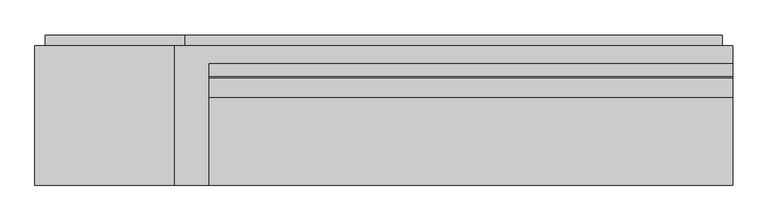
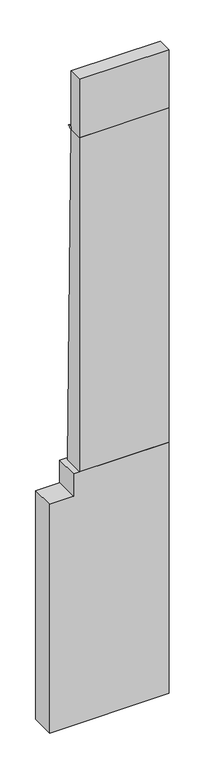
"""IFC4 building model written with IfcOpenShell, lengths in millimetres: furniture geometry."""

import ifcopenshell
import ifcopenshell.guid

model = None  # the IFC model being written
_history = None  # IfcOwnerHistory: only IFC2X3 demands one
_inside = {}  # id of a spatial element -> (the spatial element, [elements in it])
_under = {}  # id of a project, library or spatial element -> (it, [spatial elements below it])
_declared = {}  # id of a project -> (the project, [libraries it declares])
_typed = {}  # id of a type object -> (the type object, [elements of that type])
_made_of = {}  # id of a material, layer set ... -> (it, [elements and type objects made of it])


def new_model(schema):
    """Start an empty IFC model of exactly this schema.

    Asked for "IFC4X3", IfcOpenShell would pick the latest addendum, in which some entities
    have other attributes; the version numbers below select the first issue.
    IFC2X3 requires an IfcOwnerHistory on every rooted entity: one is made here for all.
    """
    global model, _history
    if schema == "IFC4X3":
        model = ifcopenshell.file(schema_version=(4, 3, 0, 0))
    else:
        model = ifcopenshell.file(schema=schema)
    _inside.clear()
    _under.clear()
    _declared.clear()
    _typed.clear()
    _made_of.clear()
    _history = None
    if model.schema == "IFC2X3":
        org = make("IfcOrganization", Name="unknown")
        user = make(
            "IfcPersonAndOrganization",
            ThePerson=make("IfcPerson", FamilyName="unknown"),
            TheOrganization=org,
        )
        app = make(
            "IfcApplication",
            ApplicationDeveloper=org,
            Version="unknown",
            ApplicationFullName="unknown",
            ApplicationIdentifier="unknown",
        )
        _history = make(
            "IfcOwnerHistory",
            OwningUser=user,
            OwningApplication=app,
            ChangeAction="ADDED",
            CreationDate=0,
        )
    return model


def make(cls, **values):
    """One entity of the class cls with the attributes given. An attribute that is None is left unset."""
    return model.create_entity(
        cls, **{name: value for name, value in values.items() if value is not None}
    )


def rooted(cls, **values):
    """An entity with a GlobalId (a new one), such as an element, a storey or a relation."""
    return make(cls, GlobalId=ifcopenshell.guid.new(), OwnerHistory=_history, **values)


def si_unit(unit_type, name, prefix=None):
    """IfcSIUnit, for example si_unit("LENGTHUNIT", "METRE", prefix="MILLI")."""
    return make("IfcSIUnit", UnitType=unit_type, Prefix=prefix, Name=name)


def assignment(units):
    """IfcUnitAssignment: the units of a project."""
    return None if units is None else make("IfcUnitAssignment", Units=units)


def point(xyz):
    """IfcCartesianPoint."""
    return None if xyz is None else make("IfcCartesianPoint", Coordinates=xyz)


def direction(xyz):
    """IfcDirection."""
    return None if xyz is None else make("IfcDirection", DirectionRatios=xyz)


def frame(location, z_axis=None, x_axis=None):
    """IfcAxis2Placement3D, a coordinate frame: its origin and axes. An axis left out is left unset."""
    return make(
        "IfcAxis2Placement3D",
        Location=point(location),
        Axis=direction(z_axis),
        RefDirection=direction(x_axis),
    )


def frame_2d(location, x_axis=None):
    """IfcAxis2Placement2D, a coordinate frame in the plane: its origin and x axis."""
    return make(
        "IfcAxis2Placement2D", Location=point(location), RefDirection=direction(x_axis)
    )


def origin():
    """The frame at (0, 0, 0) with its axes left unset."""
    return frame((0.0, 0.0, 0.0))


def place(relative_to, where):
    """IfcLocalPlacement: puts the frame where relative to a parent placement (None: the world)."""
    return make(
        "IfcLocalPlacement", PlacementRelTo=relative_to, RelativePlacement=where
    )


def context(
    kind, dimensions, precision=None, world=None, true_north=None, identifier=None
):
    """IfcGeometricRepresentationContext, for example the 3D "Model" context."""
    return make(
        "IfcGeometricRepresentationContext",
        ContextIdentifier=identifier,
        ContextType=kind,
        CoordinateSpaceDimension=dimensions,
        Precision=precision,
        WorldCoordinateSystem=world,
        TrueNorth=true_north,
    )


def project(units=None, contexts=None):
    """IfcProject with its units and contexts."""
    return rooted(
        "IfcProject",
        Name="project",
        RepresentationContexts=contexts,
        UnitsInContext=assignment(units),
    )


def spatial(cls, under=None, at=None, **own):
    """A site, building, storey or space (cls), placed at a placement, below another one or the project."""
    s = rooted(cls, ObjectPlacement=at, **own)
    if under is not None:
        _under.setdefault(under.id(), (under, []))[1].append(s)
    return s


def polyline(points):
    """IfcPolyline through the points."""
    return make("IfcPolyline", Points=[point(p) for p in points])


def circle_curve(where, radius):
    """IfcCircle in the frame where."""
    return make("IfcCircle", Position=where, Radius=radius)


def trimmed(basis, trim1, trim2, sense, master):
    """IfcTrimmedCurve: the piece of a basis curve between two trims."""
    return make(
        "IfcTrimmedCurve",
        BasisCurve=basis,
        Trim1=trim1,
        Trim2=trim2,
        SenseAgreement=sense,
        MasterRepresentation=master,
    )


def segment(curve, same_sense, transition):
    """IfcCompositeCurveSegment."""
    return make(
        "IfcCompositeCurveSegment",
        Transition=transition,
        SameSense=same_sense,
        ParentCurve=curve,
    )


def composite_curve(segments, self_intersect=None):
    """IfcCompositeCurve: segments joined end to end."""
    return make("IfcCompositeCurve", Segments=segments, SelfIntersect=self_intersect)


def outline(outer, holes=None, kind="AREA"):
    """IfcArbitraryClosedProfileDef: a profile drawn as a closed curve; with holes, ...WithVoids."""
    if holes is None:
        return make("IfcArbitraryClosedProfileDef", ProfileType=kind, OuterCurve=outer)
    return make(
        "IfcArbitraryProfileDefWithVoids",
        ProfileType=kind,
        OuterCurve=outer,
        InnerCurves=holes,
    )


def extrude(swept, where, along, depth):
    """IfcExtrudedAreaSolid: the profile swept, set in the frame where, extruded along a direction by depth."""
    return make(
        "IfcExtrudedAreaSolid",
        SweptArea=swept,
        Position=where,
        ExtrudedDirection=direction(along),
        Depth=depth,
    )


def shape(context_of_items, identifier, shape_type, items):
    """IfcShapeRepresentation: the items that make up one representation, for example the "Body"."""
    return make(
        "IfcShapeRepresentation",
        ContextOfItems=context_of_items,
        RepresentationIdentifier=identifier,
        RepresentationType=shape_type,
        Items=items,
    )


def source(mapping_origin, context_of_items, identifier, shape_type, items):
    """IfcRepresentationMap: a shape defined once, which mapped items show again and again."""
    return make(
        "IfcRepresentationMap",
        MappingOrigin=mapping_origin,
        MappedRepresentation=shape(context_of_items, identifier, shape_type, items),
    )


def transform(
    local_origin,
    x_axis=None,
    y_axis=None,
    z_axis=None,
    scale=None,
    scale2=None,
    scale3=None,
    uniform=True,
):
    """IfcCartesianTransformationOperator3D, or its non-uniform kind. x_axis, y_axis, z_axis: its Axis1, 2, 3."""
    if uniform:
        return make(
            "IfcCartesianTransformationOperator3D",
            Axis1=direction(x_axis),
            Axis2=direction(y_axis),
            LocalOrigin=point(local_origin),
            Scale=scale,
            Axis3=direction(z_axis),
        )
    return make(
        "IfcCartesianTransformationOperator3DnonUniform",
        Axis1=direction(x_axis),
        Axis2=direction(y_axis),
        LocalOrigin=point(local_origin),
        Scale=scale,
        Axis3=direction(z_axis),
        Scale2=scale2,
        Scale3=scale3,
    )


def mapped(mapping_source, mapping_target):
    """IfcMappedItem: shows the shape of a source again, moved by a transform."""
    return make(
        "IfcMappedItem", MappingSource=mapping_source, MappingTarget=mapping_target
    )


def made_of(thing, what):
    """Note that an element or type object is made of a material, layer set ...; save() writes the relation."""
    if what is not None:
        _made_of.setdefault(what.id(), (what, []))[1].append(thing)
    return thing


def element(
    cls,
    number,
    at=None,
    inside=None,
    cuts=None,
    type_object=None,
    material=None,
    context=None,
    identifier="Body",
    shape_type=None,
    held_by="IfcProductDefinitionShape",
    body=None,
    shapes=None,
    **own,
):
    """One element of the class cls, such as IfcWall. Its Tag is "e" and its number.

    at: its placement. inside: the storey or other place that contains it. cuts: it is an
    opening in that element (IfcRelVoidsElement). A single representation is given by context,
    identifier, shape_type and body (its items); several are given by shapes. held_by: the class
    of the entity that holds the representations. save() writes the other relations.
    """
    e = rooted(cls, Tag="e%d" % number, ObjectPlacement=at, **own)
    if body is not None:
        shapes = [shape(context, identifier, shape_type, body)]
    if shapes is not None:
        e.Representation = make(held_by, Representations=shapes)
    if inside is not None:
        _inside.setdefault(inside.id(), (inside, []))[1].append(e)
    if cuts is not None:
        rooted(
            "IfcRelVoidsElement", RelatingBuildingElement=cuts, RelatedOpeningElement=e
        )
    if type_object is not None:
        _typed.setdefault(type_object.id(), (type_object, []))[1].append(e)
    return made_of(e, material)


def aggregate(whole, parts):
    """IfcRelAggregates: a whole, such as a stair, and the parts it consists of."""
    return rooted("IfcRelAggregates", RelatingObject=whole, RelatedObjects=parts)


def save(model, path):
    """Write the relations noted so far, then the file.

    IfcRelAggregates (storeys below a building ...), IfcRelContainedInSpatialStructure (elements
    in a storey), IfcRelDefinesByType, IfcRelAssociatesMaterial and IfcRelDeclares: one each for
    every whole, place, type object, material and project.
    """
    for whole, parts in _under.values():
        aggregate(whole, parts)
    for where, things in _inside.values():
        rooted(
            "IfcRelContainedInSpatialStructure",
            RelatedElements=things,
            RelatingStructure=where,
        )
    for kind, things in _typed.values():
        rooted("IfcRelDefinesByType", RelatedObjects=things, RelatingType=kind)
    for what, things in _made_of.values():
        rooted("IfcRelAssociatesMaterial", RelatedObjects=things, RelatingMaterial=what)
    for by, libraries in _declared.values():
        rooted("IfcRelDeclares", RelatingContext=by, RelatedDefinitions=libraries)
    model.write(path)


def furniture_5ada51cd(model_context):
    return source(origin(), model_context, "Body", "SweptSolid", [
        extrude(outline(polyline([(4310.0, -1289.7680036), (3910.0, -1289.7680036), (3910.0, -1689.7680036), (-130.0, -1689.7680036), (-130.0, 310.2319964), (4310.0, 310.2319964), (4310.0, -1289.7680036)])), frame((0.0, 362.5924503, 0.0), z_axis=(0.0, 1.0, 0.0), x_axis=(0.0, 0.0, 1.0)), (0.0, 0.0, 1.0), 400.0),
        extrude(outline(composite_curve([segment(polyline([(612.5924503, 10210.0), (612.5924503, 10252.177667), (669.4147832, 10252.177667)]), True, "CONTINUOUS"), segment(trimmed(circle_curve(frame_2d((669.4147832, 10249.0)), 3.177667), [point((669.4147832, 10252.177667))], [point((672.5924503, 10249.0))], False, "CARTESIAN"), True, "CONTINUOUS"), segment(polyline([(672.5924503, 10249.0), (672.5924503, 10246.0)]), True, "CONTINUOUS"), segment(trimmed(circle_curve(frame_2d((662.5924503, 10246.0)), 10.0), [point((672.5924503, 10246.0))], [point((662.5924503, 10236.0))], False, "CARTESIAN"), True, "CONTINUOUS"), segment(polyline([(662.5924503, 10236.0), (652.1318423, 10236.0)]), True, "CONTINUOUS"), segment(trimmed(circle_curve(frame_2d((642.5924503, 10233.0)), 10.0), [point((652.1318423, 10236.0))], [point((642.5924503, 10223.0))], False, "CARTESIAN"), True, "CONTINUOUS"), segment(polyline([(642.5924503, 10223.0), (632.1318423, 10223.0)]), True, "CONTINUOUS"), segment(trimmed(circle_curve(frame_2d((622.5924503, 10220.0)), 10.0), [point((632.1318423, 10223.0))], [point((622.5924503, 10210.0))], False, "CARTESIAN"), True, "CONTINUOUS"), segment(polyline([(622.5924503, 10210.0), (612.5924503, 10210.0)]), True, "CONTINUOUS")], self_intersect=False)), frame((-1189.7680036, 0.0, 0.0), z_axis=(1.0, 0.0, 0.0), x_axis=(0.0, 1.0, 0.0)), (0.0, 0.0, 1.0), 1500.0),
        extrude(outline(polyline([(280.2319964, 792.6), (280.2319964, 762.5924503), (-1259.7680036, 762.5924503), (-1259.7680036, 792.6), (280.2319964, 792.6)])), frame((0.0, 0.0, 3940.0), z_axis=(0.0, 0.0, 1.0), x_axis=(1.0, 0.0, 0.0)), (0.0, 0.0, 1.0), 340.0),
        extrude(outline(polyline([(-569.7680036, 792.6), (-569.7680036, 762.5924503), (-1659.7680036, 762.5924503), (-1659.7680036, 792.6), (-569.7680036, 792.6)])), frame((0.0, 0.0, 3580.0), z_axis=(0.0, 0.0, 1.0), x_axis=(1.0, 0.0, 0.0)), (0.0, 0.0, 1.0), 300.0),
        extrude(outline(polyline([(280.2319964, 792.6), (280.2319964, 762.5924503), (-509.7680036, 762.5924503), (-509.7680036, 792.6), (280.2319964, 792.6)])), frame((0.0, 0.0, 3580.0), z_axis=(0.0, 0.0, 1.0), x_axis=(1.0, 0.0, 0.0)), (0.0, 0.0, 1.0), 300.0),
        extrude(outline(polyline([(-919.7680036, 792.6), (-919.7680036, 762.5924503), (-1659.7680036, 762.5924503), (-1659.7680036, 792.6), (-919.7680036, 792.6)])), frame((0.0, 0.0, 2600.0), z_axis=(0.0, 0.0, 1.0), x_axis=(1.0, 0.0, 0.0)), (0.0, 0.0, 1.0), 920.0),
        extrude(outline(polyline([(280.2319964, 792.6), (280.2319964, 762.5924503), (-859.7680036, 762.5924503), (-859.7680036, 792.6), (280.2319964, 792.6)])), frame((0.0, 0.0, 2600.0), z_axis=(0.0, 0.0, 1.0), x_axis=(1.0, 0.0, 0.0)), (0.0, 0.0, 1.0), 920.0),
        extrude(outline(polyline([(-1189.7680036, 362.5924503), (-1189.7680036, 612.5924503), (310.2319964, 612.5924503), (310.2319964, 362.5924503), (-1189.7680036, 362.5924503)])), frame((0.0, 0.0, 10210.0), z_axis=(0.0, 0.0, 1.0), x_axis=(1.0, 0.0, 0.0)), (0.0, 0.0, 1.0), 1030.0),
        extrude(outline(polyline([(362.5924503, 4310.0), (362.5924503, 10210.0), (612.5924503, 10210.0), (712.5924503, 4310.0), (362.5924503, 4310.0)])), frame((-1189.7680036, 0.0, 0.0), z_axis=(1.0, 0.0, 0.0), x_axis=(0.0, 1.0, 0.0)), (0.0, 0.0, 1.0), 1500.0),
    ])


if __name__ == "__main__":
    model = new_model("IFC4")
    model_context = context("Model", 3, world=origin())
    ifc_project = project(units=[si_unit("LENGTHUNIT", "METRE", prefix="MILLI")], contexts=[model_context])
    site = spatial("IfcSite", under=ifc_project)
    building = spatial("IfcBuilding", under=site)
    placement = place(None, origin())
    furniture_shape = furniture_5ada51cd(model_context)
    element("IfcFurniture", 1, at=placement, inside=building, context=model_context, shape_type="MappedRepresentation", body=[
        mapped(furniture_shape, transform((0.0, 0.0, 0.0), x_axis=(1.0, 0.0, 0.0), y_axis=(0.0, 1.0, 0.0), z_axis=(0.0, 0.0, 1.0))),
    ])
    save(model, "model.ifc")
